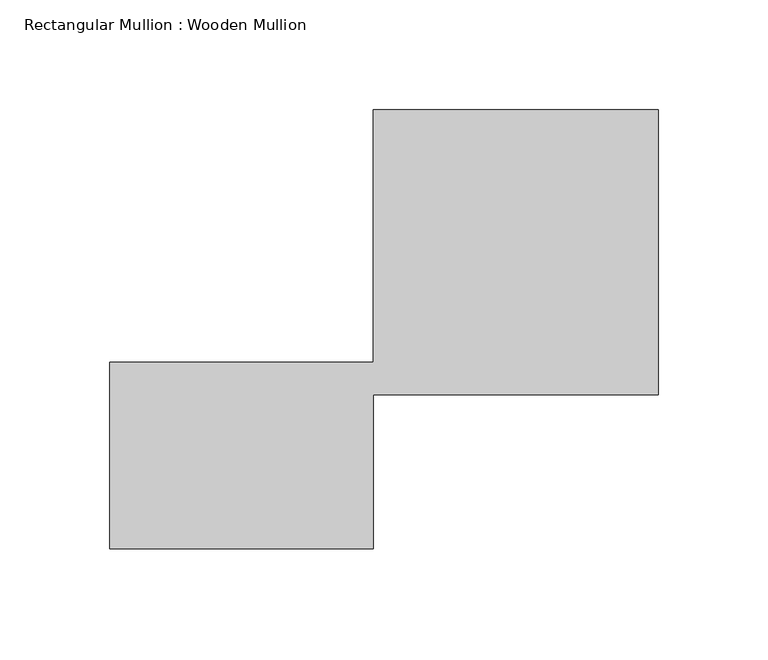
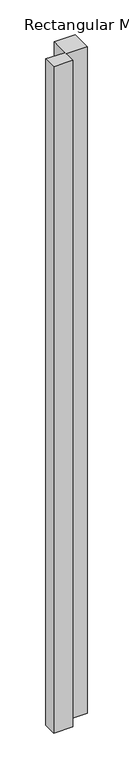
"""IFC4 building model written with IfcOpenShell, lengths in millimetres: member geometry, Rectangular Mullion : Wooden Mullion."""

from ifc_helpers import new_model, si_unit, frame, origin, place, context, project, spatial, polyline, outline, extrude, source, transform, mapped, element, save


def rectangular_mullion_wooden_mullion_983e71d5(model_context):
    return source(origin(), model_context, "Body", "SweptSolid", [
        extrude(outline(polyline([(74.8100006, -26.0137344), (-45.1899994, -26.0137344), (-45.1899994, 58.9862656), (74.8100006, 58.9862656), (74.8100006, 173.9862656), (204.8100006, 173.9862656), (204.8100006, 43.9862656), (74.8100006, 43.9862656), (74.8100006, -26.0137344)])), frame((0.0, 0.0, -4356.7924456), z_axis=(0.0, 0.0, 1.0), x_axis=(1.0, 0.0, 0.0)), (0.0, 0.0, 1.0), 4356.7924456),
    ])


if __name__ == "__main__":
    model = new_model("IFC4")
    model_context = context("Model", 3, world=origin())
    ifc_project = project(units=[si_unit("LENGTHUNIT", "METRE", prefix="MILLI")], contexts=[model_context])
    site = spatial("IfcSite", under=ifc_project)
    building = spatial("IfcBuilding", under=site)
    placement = place(None, origin())
    rectangular_mullion_wooden_mullion_shape = rectangular_mullion_wooden_mullion_983e71d5(model_context)
    element("IfcMember", 1, ObjectType="Rectangular Mullion : Wooden Mullion", at=placement, inside=building, context=model_context, shape_type="MappedRepresentation", body=[
        mapped(rectangular_mullion_wooden_mullion_shape, transform((0.0, 0.0, 0.0), x_axis=(1.0, 0.0, 0.0), y_axis=(0.0, 1.0, 0.0), z_axis=(0.0, 0.0, 1.0))),
    ])
    save(model, "model.ifc")
